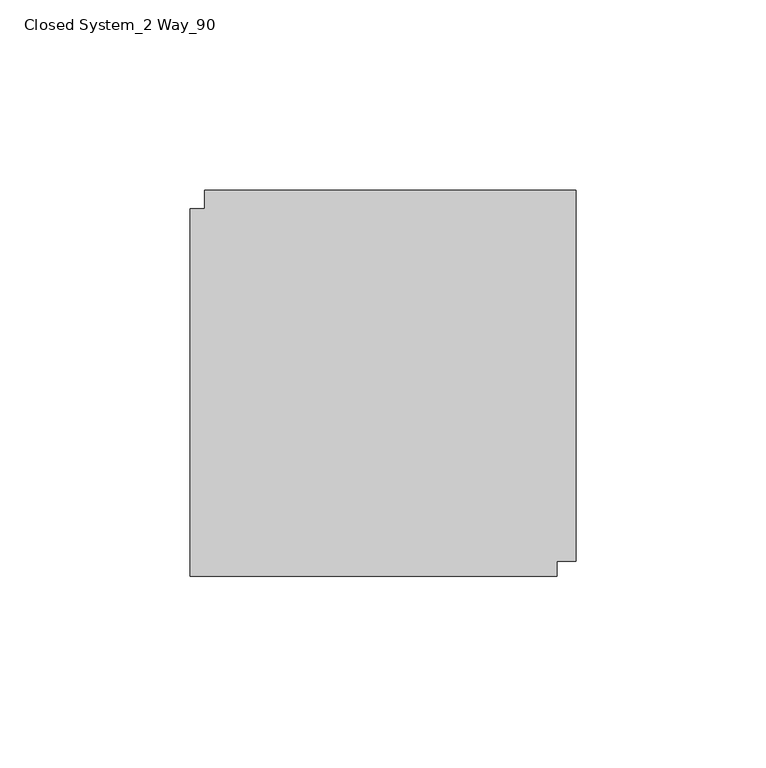
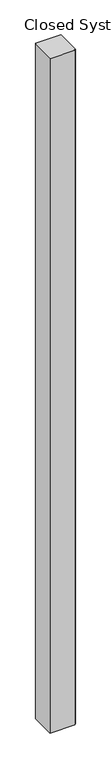
"""IFC4 building model written with IfcOpenShell, lengths in millimetres: furniture geometry, Closed System_2 Way_90."""

from ifc_helpers import new_model, si_unit, origin, origin_with_axes, place, context, project, spatial, polyline, outline, extrude, source, transform, mapped, element, save


def closed_system_2_way_90_8ed795e9(model_context):
    return source(origin(), model_context, "Body", "SweptSolid", [
        extrude(outline(polyline([(29.9771531, 22.2450295), (33.9141531, 22.2450295), (33.9141531, 27.1980295), (131.5771531, 27.1980295), (131.5771531, -70.4649705), (126.6241531, -70.4649705), (126.6241531, -74.4019705), (29.9771531, -74.4019705), (29.9771531, 22.2450295)])), origin_with_axes(), (0.0, 0.0, 1.0), 2743.2),
    ])


if __name__ == "__main__":
    model = new_model("IFC4")
    model_context = context("Model", 3, world=origin())
    ifc_project = project(units=[si_unit("LENGTHUNIT", "METRE", prefix="MILLI")], contexts=[model_context])
    site = spatial("IfcSite", under=ifc_project)
    building = spatial("IfcBuilding", under=site)
    placement = place(None, origin())
    closed_system_2_way_90_shape = closed_system_2_way_90_8ed795e9(model_context)
    element("IfcFurniture", 1, ObjectType="Closed System_2 Way_90", at=placement, inside=building, context=model_context, shape_type="MappedRepresentation", body=[
        mapped(closed_system_2_way_90_shape, transform((0.0, 0.0, 0.0), x_axis=(1.0, 0.0, 0.0), y_axis=(0.0, 1.0, 0.0), z_axis=(0.0, 0.0, 1.0))),
    ])
    save(model, "model.ifc")
